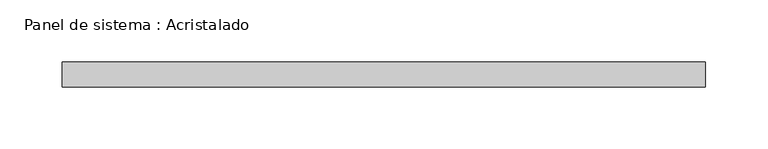
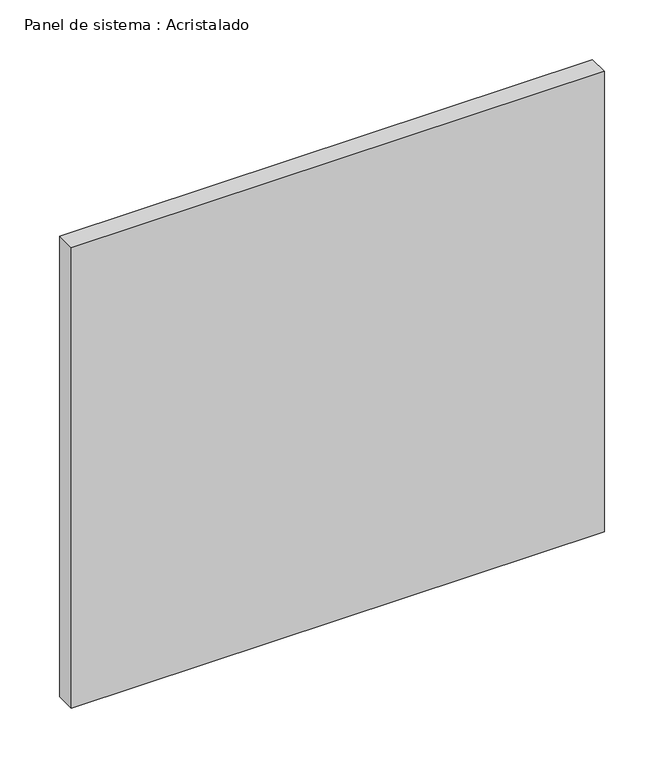
"""IFC4 building model written with IfcOpenShell, lengths in millimetres: plate geometry, Panel de sistema : Acristalado."""

from ifc_helpers import new_model, si_unit, origin, origin_with_axes, place, context, project, spatial, polyline, outline, extrude, source, transform, mapped, element, save


def panel_de_sistema_acristalado_db475621(model_context):
    return source(origin(), model_context, "Body", "SweptSolid", [
        extrude(outline(polyline([(258.5, -10.0), (-258.5, -10.0), (-258.5, 10.0), (258.5, 10.0), (258.5, -10.0)])), origin_with_axes(), (0.0, 0.0, 1.0), 472.0),
    ])


if __name__ == "__main__":
    model = new_model("IFC4")
    model_context = context("Model", 3, world=origin())
    ifc_project = project(units=[si_unit("LENGTHUNIT", "METRE", prefix="MILLI")], contexts=[model_context])
    site = spatial("IfcSite", under=ifc_project)
    building = spatial("IfcBuilding", under=site)
    placement = place(None, origin())
    panel_de_sistema_acristalado_shape = panel_de_sistema_acristalado_db475621(model_context)
    element("IfcPlate", 1, ObjectType="Panel de sistema : Acristalado", at=placement, inside=building, context=model_context, shape_type="MappedRepresentation", body=[
        mapped(panel_de_sistema_acristalado_shape, transform((0.0, 0.0, 0.0), x_axis=(1.0, 0.0, 0.0), y_axis=(0.0, 1.0, 0.0), z_axis=(0.0, 0.0, 1.0))),
    ])
    save(model, "model.ifc")
